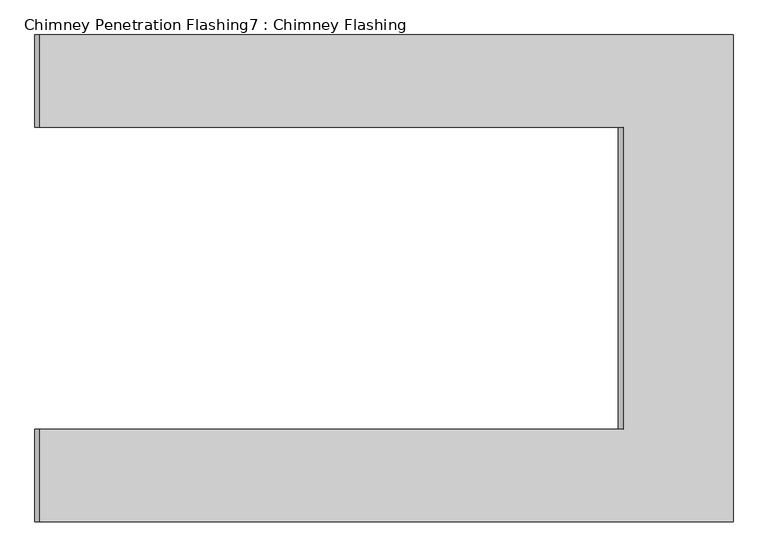
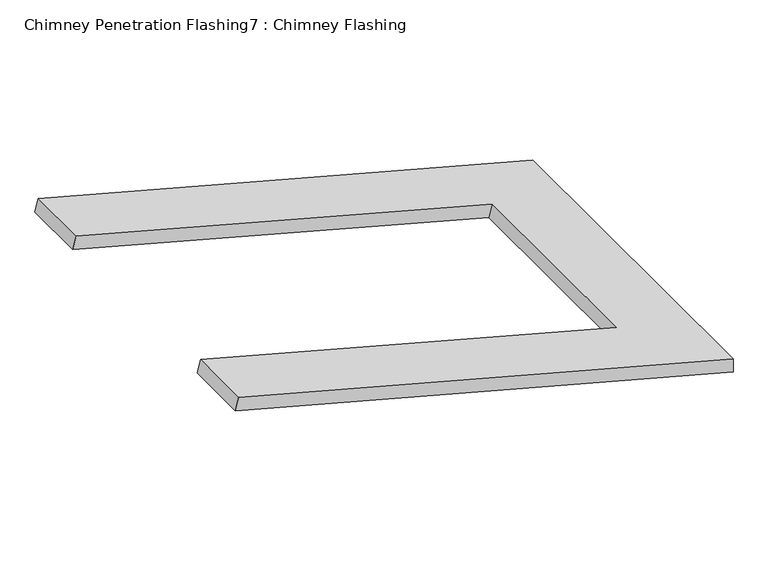
"""IFC4 building model written with IfcOpenShell, lengths in millimetres: proxy geometry, Chimney Penetration Flashing7 : Chimney Flashing."""

from ifc_helpers import new_model, si_unit, origin, place, context, project, spatial, faceted_brep, source, transform, mapped, element, save


def chimney_penetration_flashing7_chimney_flashing_9c9999df(model_context):
    return source(origin(), model_context, "Body", "Brep", [
        faceted_brep([(45054.9668737, -24369.2845507, 6876.3272044), (45054.9668737, -24369.2845507, 6915.1260589), (43677.3738661, -24369.2845507, 7284.2509927), (43667.6836476, -24369.2845507, 7248.0486245), (45054.9668737, -23401.9576532, 6876.3272044), (43667.6836476, -23401.9576532, 7248.0486245), (43677.3738661, -23401.9576532, 7284.2509927), (45054.9668737, -23401.9576532, 6915.1260589), (43677.3738661, -23585.621102, 7284.2509927), (44836.4848273, -23585.621102, 6973.6681468), (44836.4848273, -24185.621102, 6973.6681468), (43677.3738661, -24185.621102, 7284.2509927), (43667.6836476, -24185.621102, 7248.0486245), (43667.6836476, -23585.621102, 7248.0486245), (44826.7851137, -24185.621102, 6937.4683227), (44826.7851137, -23585.621102, 6937.4683227)], [[[0, 1, 2, 3]], [[4, 5, 6, 7]], [[1, 0, 4, 7]], [[2, 1, 7, 6, 8, 9, 10, 11]], [[3, 2, 11, 12]], [[6, 5, 13, 8]], [[0, 3, 12, 14, 15, 13, 5, 4]], [[15, 9, 8, 13]], [[9, 15, 14, 10]], [[10, 14, 12, 11]]]),
    ])


if __name__ == "__main__":
    model = new_model("IFC4")
    model_context = context("Model", 3, world=origin())
    ifc_project = project(units=[si_unit("LENGTHUNIT", "METRE", prefix="MILLI")], contexts=[model_context])
    site = spatial("IfcSite", under=ifc_project)
    building = spatial("IfcBuilding", under=site)
    placement = place(None, origin())
    chimney_penetration_flashing7_chimney_flashing_shape = chimney_penetration_flashing7_chimney_flashing_9c9999df(model_context)
    element("IfcBuildingElementProxy", 1, Name="Chimney Penetration Flashing7 : Chimney Flashing", ObjectType="Chimney Penetration Flashing7 : Chimney Flashing", at=placement, inside=building, context=model_context, shape_type="MappedRepresentation", body=[
        mapped(chimney_penetration_flashing7_chimney_flashing_shape, transform((0.0, 0.0, 0.0), x_axis=(1.0, 0.0, 0.0), y_axis=(0.0, 1.0, 0.0), z_axis=(0.0, 0.0, 1.0))),
    ])
    save(model, "model.ifc")
